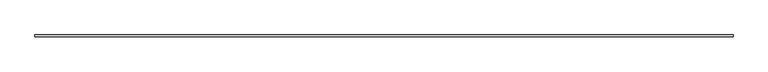
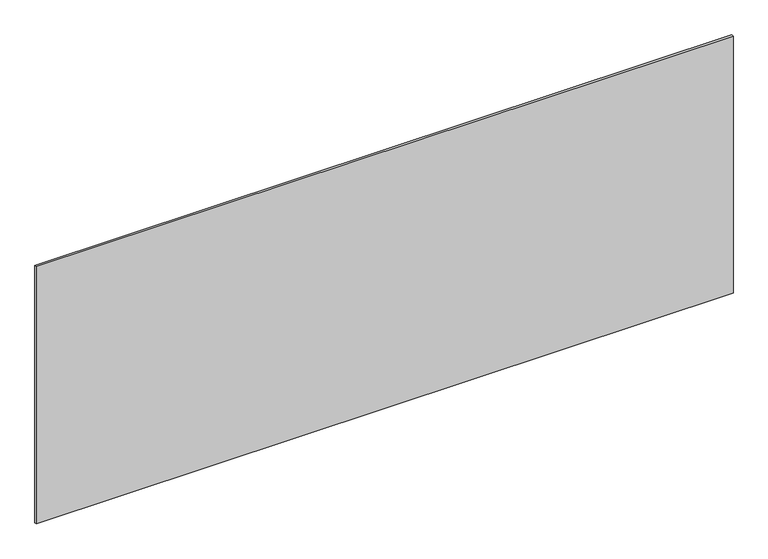
"""IFC4 building model written with IfcOpenShell, lengths in millimetres: plate geometry."""

from ifc_helpers import new_model, si_unit, origin, origin_with_axes, place, context, project, spatial, polyline, outline, extrude, source, transform, mapped, element, save


def plate_b5ac0942(model_context):
    return source(origin(), model_context, "Body", "SweptSolid", [
        extrude(outline(polyline([(1697.5, -5.0), (-1697.5, -5.0), (-1697.5, 5.0), (1697.5, 5.0), (1697.5, -5.0)])), origin_with_axes(), (0.0, 0.0, 1.0), 1325.4316357),
    ])


if __name__ == "__main__":
    model = new_model("IFC4")
    model_context = context("Model", 3, world=origin())
    ifc_project = project(units=[si_unit("LENGTHUNIT", "METRE", prefix="MILLI")], contexts=[model_context])
    site = spatial("IfcSite", under=ifc_project)
    building = spatial("IfcBuilding", under=site)
    placement = place(None, origin())
    plate_shape = plate_b5ac0942(model_context)
    element("IfcPlate", 1, at=placement, inside=building, context=model_context, shape_type="MappedRepresentation", body=[
        mapped(plate_shape, transform((0.0, 0.0, 0.0), x_axis=(1.0, 0.0, 0.0), y_axis=(0.0, 1.0, 0.0), z_axis=(0.0, 0.0, 1.0))),
    ])
    save(model, "model.ifc")
